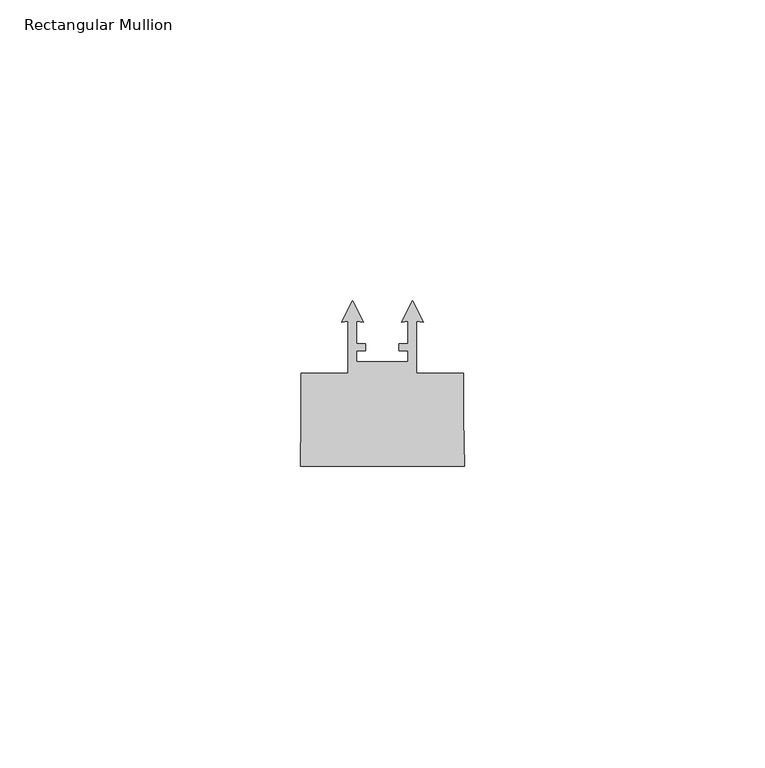
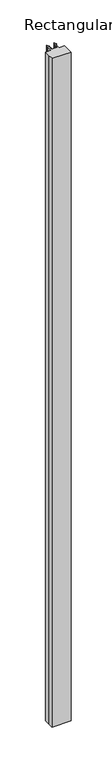
"""IFC4 building model written with IfcOpenShell, lengths in millimetres: member geometry, Rectangular Mullion."""

from ifc_helpers import new_model, si_unit, frame, origin, place, context, project, spatial, polyline, outline, extrude, source, transform, mapped, element, save


def rectangular_mullion_b4af3c63(model_context):
    return source(origin(), model_context, "Body", "SweptSolid", [
        extrude(outline(polyline([(0.0, -52.1), (-27.2888837, -52.1), (-27.1444714, -44.090759), (-27.1444714, -36.5907903), (-19.3444714, -36.5907903), (-19.3444714, -27.9828386), (-20.4644515, -28.1005532), (-18.6444714, -24.5286374), (-16.8244914, -28.1005531), (-17.9444755, -27.9828381), (-17.9444712, -31.6907903), (-16.4444714, -31.6907903), (-16.4444714, -32.8907903), (-17.9444714, -32.8907903), (-17.9444714, -34.6907903), (-9.3444714, -34.6907903), (-9.3444714, -32.8907903), (-10.8444713, -32.8907903), (-10.8444713, -31.6907903), (-9.3444713, -31.6907903), (-9.3444713, -27.9828382), (-10.4644514, -28.1005532), (-8.6444713, -24.5286374), (-6.8244913, -28.1005532), (-7.9444731, -27.9828384), (-7.9444713, -36.5907907), (-0.1444713, -36.5907907), (-0.1444713, -44.0727807), (0.0, -52.1)])), frame((0.0, 0.0, -1000.0), z_axis=(0.0, 0.0, 1.0), x_axis=(1.0, 0.0, 0.0)), (0.0, 0.0, 1.0), 1000.0),
    ])


if __name__ == "__main__":
    model = new_model("IFC4")
    model_context = context("Model", 3, world=origin())
    ifc_project = project(units=[si_unit("LENGTHUNIT", "METRE", prefix="MILLI")], contexts=[model_context])
    site = spatial("IfcSite", under=ifc_project)
    building = spatial("IfcBuilding", under=site)
    placement = place(None, origin())
    rectangular_mullion_shape = rectangular_mullion_b4af3c63(model_context)
    element("IfcMember", 1, ObjectType="Rectangular Mullion", at=placement, inside=building, context=model_context, shape_type="MappedRepresentation", body=[
        mapped(rectangular_mullion_shape, transform((0.0, 0.0, 0.0), x_axis=(1.0, 0.0, 0.0), y_axis=(0.0, 1.0, 0.0), z_axis=(0.0, 0.0, 1.0))),
    ])
    save(model, "model.ifc")
